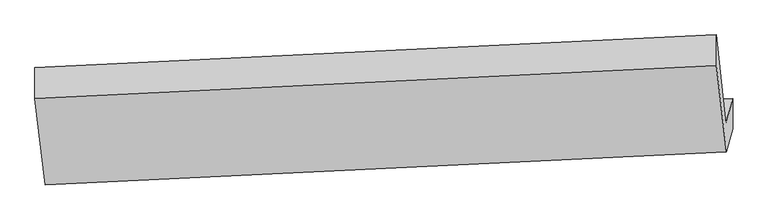
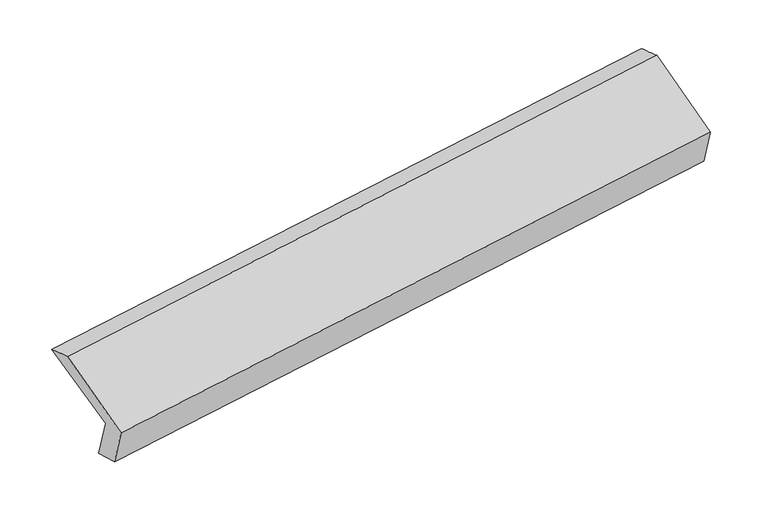
"""IFC4 building model written with IfcOpenShell, lengths in millimetres: proxy geometry."""

from ifc_helpers import new_model, si_unit, frame, origin, place, context, project, spatial, source, transform, mapped, element, save
from ifc_brep_helpers import plane_surface, spline_surface, advanced_brep


def generic_models_51852414(model_context):
    return source(origin(), model_context, "Body", "AdvancedBrep", [
        advanced_brep(
        [(-5162.1542103, -1607.8287756, 1228.5445303), (-5206.4335033, -1776.7836337, 1594.640612), (-503.4558086, -1551.3230591, 2278.596171), (-458.084888, -1378.202918, 1903.4746382), (-5160.4848383, -1813.5464751, 1284.4663349), (-457.5071437, -1588.0859005, 1968.4218938), (-5202.5808761, -1974.1707671, 1632.5115146), (-499.6031814, -1748.7101925, 2316.4670735), (-5272.1728632, -1377.2500836, 1924.3552998), (-569.2617028, -1151.2188151, 2608.5898799), (-5271.7349206, -1163.4915823, 1851.0104624), (-568.7572259, -938.0310077, 2534.9660213)],
        [
            (0, 1),
            (1, 2),
            (2, 3),
            (3, 0),
            (4, 0),
            (3, 5),
            (5, 4),
            (6, 4),
            (5, 7),
            (7, 6),
            (8, 6),
            (7, 9),
            (9, 8),
            (10, 8),
            (9, 11),
            (11, 10),
            (1, 10),
            (11, 2),
        ],
        [
            plane_surface(frame((-5184.2938568, -1692.3062047, 1411.5925711), z_axis=(-0.10264757482525494, 0.9078407559508337, 0.4065570528438939), x_axis=(-0.10916276100150812, -0.4165283036125826, 0.9025451035267722))),
            spline_surface(1, 1, [[(-5160.4848383, -1813.5464751, 1284.4663349), (-457.5071437, -1588.0859005, 1968.4218938)], [(-5162.1542103, -1607.8287756, 1228.5445303), (-458.084888, -1378.202918, 1903.4746382)]], [2, 2], [2, 2], [0.0, 1.0], [0.0, 1.0]),
            plane_surface(frame((-5181.5328572, -1893.8586211, 1458.4889247), z_axis=(0.10264757482525497, -0.9078407559508338, -0.4065570528438936), x_axis=(0.10916276100150821, 0.4165283036125823, -0.9025451035267724))),
            plane_surface(frame((-5237.3768697, -1675.7104253, 1778.4334072), z_axis=(-0.10774248690759446, -0.44678230837895416, 0.8881312546209262), x_axis=(0.10416723309688898, -0.8934875782165278, -0.4368399422233534))),
            spline_surface(1, 1, [[(-5271.7349206, -1163.4915823, 1851.0104624), (-568.7572259, -938.0310077, 2534.9660213)], [(-5272.1728632, -1377.2500836, 1924.3552998), (-569.2617028, -1151.2188151, 2608.5898799)]], [2, 2], [2, 2], [0.0, 1.0], [0.0, 1.0]),
            plane_surface(frame((-5239.0842119, -1470.137608, 1722.8255372), z_axis=(0.11380859097827231, 0.3934662642568379, -0.9122674517439), x_axis=(-0.09776834468502577, 0.9182120558040606, 0.38383325983248356))),
            plane_surface(frame((-509.4449917, -1392.5953155, 2268.4192796), z_axis=(0.9889233112430544, 0.0463549530247469, 0.1410032014180768), x_axis=(0.10416723309688898, -0.8934875782165278, -0.4368399422233534))),
            plane_surface(frame((-5212.5935353, -1618.8452196, 1585.921459), z_axis=(-0.9889233112430542, -0.046354953024745724, -0.14100320141807804), x_axis=(0.10916276100150987, 0.4165283036125821, -0.9025451035267722))),
        ],
        [
            (0, [[1, 2, 3, 4]]),
            (1, [[5, -4, 6, 7]]),
            (2, [[8, -7, 9, 10]]),
            (3, [[11, -10, 12, 13]]),
            (4, [[14, -13, 15, 16]]),
            (5, [[17, -16, 18, -2]]),
            (6, [[-12, -9, -6, -3, -18, -15]]),
            (7, [[-1, -5, -8, -11, -14, -17]]),
        ],
    ),
    ])


if __name__ == "__main__":
    model = new_model("IFC4")
    model_context = context("Model", 3, world=origin())
    ifc_project = project(units=[si_unit("LENGTHUNIT", "METRE", prefix="MILLI")], contexts=[model_context])
    site = spatial("IfcSite", under=ifc_project)
    building = spatial("IfcBuilding", under=site)
    placement = place(None, origin())
    generic_models_shape = generic_models_51852414(model_context)
    element("IfcBuildingElementProxy", 1, Name="Generic Models", at=placement, inside=building, context=model_context, shape_type="MappedRepresentation", body=[
        mapped(generic_models_shape, transform((0.0, 0.0, 0.0), x_axis=(1.0, 0.0, 0.0), y_axis=(0.0, 1.0, 0.0), z_axis=(0.0, 0.0, 1.0))),
    ])
    save(model, "model.ifc")
